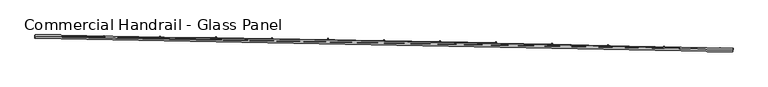
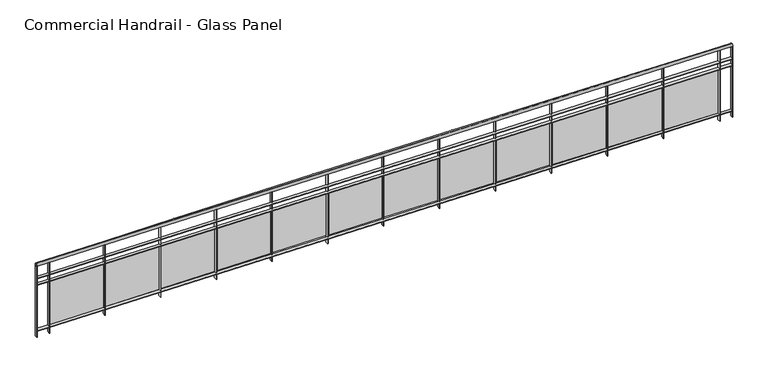
"""IFC4 building model written with IfcOpenShell, lengths in millimetres: railing geometry, Commercial Handrail - Glass Panel."""

from ifc_helpers import new_model, si_unit, point, frame, origin, place, context, project, spatial, polyline, circle_curve, ellipse_curve, trimmed, outline, extrude, source, transform, mapped, element, save
from ifc_brep_helpers import plane_surface, cylinder_surface, revolved_surface, advanced_brep


def commercial_handrail_glass_panel_ef28aba6(model_context):
    return source(origin(), model_context, "Body", "SolidModel", [
        advanced_brep(
        [(115522.8517456, -6417.9556233, 16282.5), (105560.2865037, -6227.9309844, 16282.5), (105560.2865037, -6227.9309844, 16317.5), (115522.8517456, -6417.9556233, 16317.5)],
        [
            (0, 1, circle_curve(frame((103082.6311781, -397378.3155465, 16282.5), z_axis=(0.0, 0.0, 1.0), x_axis=(0.006334151056266869, 0.9999799390639776, 0.0)), 391158.2315624)),
            (1, 2, ellipse_curve(frame((105560.2865037, -6227.9309844, 16300.0), z_axis=(0.9999799390639776, -0.0063341510562733554, 0.0), x_axis=(-0.0063341510562733554, -0.9999799390639776, 0.0)), 25.0, 17.5)),
            (2, 3, circle_curve(frame((103082.6311781, -397378.3155465, 16317.5), z_axis=(0.0, 0.0, -1.0), x_axis=(0.006334151056266869, 0.9999799390639776, 0.0)), 391158.2315624)),
            (3, 0, ellipse_curve(frame((115522.8517456, -6417.9556233, 16300.0), z_axis=(-0.9994941391404732, 0.031803550491167454, 0.0), x_axis=(-0.031803550491167454, -0.9994941391404732, 0.0)), 25.0, 17.5)),
            (2, 1, ellipse_curve(frame((105560.2865037, -6227.9309844, 16300.0), z_axis=(0.9999799390639776, -0.0063341510562733554, 0.0), x_axis=(-0.0063341510562733554, -0.9999799390639776, 0.0)), 25.0, 17.5)),
            (0, 3, ellipse_curve(frame((115522.8517456, -6417.9556233, 16300.0), z_axis=(-0.9994941391404732, 0.031803550491167454, 0.0), x_axis=(-0.031803550491167454, -0.9994941391404732, 0.0)), 25.0, 17.5)),
        ],
        [
            revolved_surface(trimmed(ellipse_curve(frame((105560.2865037, -6227.9309844, 16300.0), z_axis=(-0.9999799390639776, 0.006334151056266869, 0.0), x_axis=(0.0, 0.0, -1.0)), 17.5, 25.0), [point((105560.2865037, -6227.9309844, 16317.5))], [point((105560.2865037, -6227.9309844, 16282.5))], True, "CARTESIAN"), (103082.6311781, -397378.3155465, 16300.0), (0.0, 0.0, -1.0)),
            revolved_surface(trimmed(ellipse_curve(frame((105560.2865037, -6227.9309844, 16300.0), z_axis=(-0.9999799390639776, 0.006334151056266869, 0.0), x_axis=(0.0, 0.0, -1.0)), 17.5, 25.0), [point((105560.2865037, -6227.9309844, 16282.5))], [point((105560.2865037, -6227.9309844, 16317.5))], True, "CARTESIAN"), (103082.6311781, -397378.3155465, 16300.0), (0.0, 0.0, -1.0)),
            plane_surface(frame((105560.2865037, -6227.9309844, 16300.0), z_axis=(-0.9999799390639776, 0.006334151056266869, 0.0), x_axis=(0.006334151056266869, 0.9999799390639776, 0.0))),
            plane_surface(frame((115522.8517456, -6417.9556233, 16300.0), z_axis=(0.9994941391404732, -0.031803550491167405, 0.0), x_axis=(0.031803550491167405, 0.9994941391404732, 0.0))),
        ],
        [
            (0, [[1, 2, 3, 4]]),
            (1, [[-3, 5, -1, 6]]),
            (2, [[-2, -5]]),
            (3, [[-6, -4]]),
        ],
    ),
        advanced_brep(
        [(115523.5673255, -6395.4670052, 16100.0), (105560.4290221, -6205.4314357, 16100.0), (105560.1439853, -6250.430533, 16100.0), (115522.1361657, -6440.4442415, 16100.0), (115523.5673255, -6395.4670052, 16094.0), (105560.4290221, -6205.4314357, 16094.0), (115522.1361657, -6440.4442415, 16094.0), (105560.1439853, -6250.430533, 16094.0)],
        [
            (0, 1, circle_curve(frame((103082.6311781, -397378.3155465, 16100.0), z_axis=(0.0, 0.0, 1.0), x_axis=(0.006334151056266869, 0.9999799390639776, 0.0)), 391180.7315624)),
            (1, 2),
            (2, 3, circle_curve(frame((103082.6311781, -397378.3155465, 16100.0), z_axis=(0.0, 0.0, -1.0), x_axis=(0.006334151056266869, 0.9999799390639776, 0.0)), 391135.7315624)),
            (3, 0),
            (4, 5, circle_curve(frame((103082.6311781, -397378.3155465, 16094.0), z_axis=(0.0, 0.0, 1.0), x_axis=(0.006334151056266869, 0.9999799390639776, 0.0)), 391180.7315624)),
            (5, 1),
            (0, 4),
            (6, 7, circle_curve(frame((103082.6311781, -397378.3155465, 16094.0), z_axis=(0.0, 0.0, 1.0), x_axis=(0.006334151056266869, 0.9999799390639776, 0.0)), 391135.7315624)),
            (7, 5),
            (4, 6),
            (2, 7),
            (6, 3),
        ],
        [
            plane_surface(frame((103082.6311781, -397378.3155465, 16100.0), z_axis=(0.0, 0.0, 1.0), x_axis=(0.006334151056266869, 0.9999799390639776, 0.0))),
            cylinder_surface(frame((103082.6311781, -397378.3155465, 16100.0), z_axis=(0.0, 0.0, -1.0), x_axis=(0.006334151056266869, 0.9999799390639776, 0.0)), 391180.7315624),
            plane_surface(frame((103082.6311781, -397378.3155465, 16094.0), z_axis=(0.0, 0.0, -1.0), x_axis=(0.006334151056266869, 0.9999799390639776, 0.0))),
            revolved_surface(polyline([(105560.1439853197, -6250.43053298688, 16094.0), (105560.1439853197, -6250.43053298688, 16100.0)]), (103082.6311781, -397378.3155465, 16100.0), (0.0, 0.0, -1.0)),
            plane_surface(frame((105560.2865037, -6227.9309844, 16100.0), z_axis=(-0.9999799390639776, 0.006334151056266869, 0.0), x_axis=(0.006334151056266869, 0.9999799390639776, 0.0))),
            plane_surface(frame((115522.8517456, -6417.9556233, 16100.0), z_axis=(0.9994941391404732, -0.031803550491167405, 0.0), x_axis=(0.031803550491167405, 0.9994941391404732, 0.0))),
        ],
        [
            (0, [[1, 2, 3, 4]]),
            (1, [[5, 6, -1, 7]]),
            (2, [[8, 9, -5, 10]]),
            (3, [[-3, 11, -8, 12]]),
            (4, [[-2, -6, -9, -11]]),
            (5, [[-12, -10, -7, -4]]),
        ],
    ),
        advanced_brep(
        [(115523.5673255, -6395.4670052, 16000.0), (105560.4290221, -6205.4314357, 16000.0), (105560.1439853, -6250.430533, 16000.0), (115522.1361657, -6440.4442415, 16000.0), (115523.5673255, -6395.4670052, 15994.0), (105560.4290221, -6205.4314357, 15994.0), (115522.1361657, -6440.4442415, 15994.0), (105560.1439853, -6250.430533, 15994.0)],
        [
            (0, 1, circle_curve(frame((103082.6311781, -397378.3155465, 16000.0), z_axis=(0.0, 0.0, 1.0), x_axis=(0.006334151056266869, 0.9999799390639776, 0.0)), 391180.7315624)),
            (1, 2),
            (2, 3, circle_curve(frame((103082.6311781, -397378.3155465, 16000.0), z_axis=(0.0, 0.0, -1.0), x_axis=(0.006334151056266869, 0.9999799390639776, 0.0)), 391135.7315624)),
            (3, 0),
            (4, 5, circle_curve(frame((103082.6311781, -397378.3155465, 15994.0), z_axis=(0.0, 0.0, 1.0), x_axis=(0.006334151056266869, 0.9999799390639776, 0.0)), 391180.7315624)),
            (5, 1),
            (0, 4),
            (6, 7, circle_curve(frame((103082.6311781, -397378.3155465, 15994.0), z_axis=(0.0, 0.0, 1.0), x_axis=(0.006334151056266869, 0.9999799390639776, 0.0)), 391135.7315624)),
            (7, 5),
            (4, 6),
            (2, 7),
            (6, 3),
        ],
        [
            plane_surface(frame((103082.6311781, -397378.3155465, 16000.0), z_axis=(0.0, 0.0, 1.0), x_axis=(0.006334151056266869, 0.9999799390639776, 0.0))),
            cylinder_surface(frame((103082.6311781, -397378.3155465, 16000.0), z_axis=(0.0, 0.0, -1.0), x_axis=(0.006334151056266869, 0.9999799390639776, 0.0)), 391180.7315624),
            plane_surface(frame((103082.6311781, -397378.3155465, 15994.0), z_axis=(0.0, 0.0, -1.0), x_axis=(0.006334151056266869, 0.9999799390639776, 0.0))),
            revolved_surface(polyline([(105560.1439853197, -6250.43053298688, 15994.0), (105560.1439853197, -6250.43053298688, 16000.0)]), (103082.6311781, -397378.3155465, 16000.0), (0.0, 0.0, -1.0)),
            plane_surface(frame((105560.2865037, -6227.9309844, 16000.0), z_axis=(-0.9999799390639776, 0.006334151056266869, 0.0), x_axis=(0.006334151056266869, 0.9999799390639776, 0.0))),
            plane_surface(frame((115522.8517456, -6417.9556233, 16000.0), z_axis=(0.9994941391404732, -0.031803550491167405, 0.0), x_axis=(0.031803550491167405, 0.9994941391404732, 0.0))),
        ],
        [
            (0, [[1, 2, 3, 4]]),
            (1, [[5, 6, -1, 7]]),
            (2, [[8, 9, -5, 10]]),
            (3, [[-3, 11, -8, 12]]),
            (4, [[-2, -6, -9, -11]]),
            (5, [[-12, -10, -7, -4]]),
        ],
    ),
        advanced_brep(
        [(115523.5673255, -6395.4670052, 15300.0), (105560.4290221, -6205.4314357, 15300.0), (105560.1439853, -6250.430533, 15300.0), (115522.1361657, -6440.4442415, 15300.0), (115523.5673255, -6395.4670052, 15294.0), (105560.4290221, -6205.4314357, 15294.0), (115522.1361657, -6440.4442415, 15294.0), (105560.1439853, -6250.430533, 15294.0)],
        [
            (0, 1, circle_curve(frame((103082.6311781, -397378.3155465, 15300.0), z_axis=(0.0, 0.0, 1.0), x_axis=(0.006334151056266869, 0.9999799390639776, 0.0)), 391180.7315624)),
            (1, 2),
            (2, 3, circle_curve(frame((103082.6311781, -397378.3155465, 15300.0), z_axis=(0.0, 0.0, -1.0), x_axis=(0.006334151056266869, 0.9999799390639776, 0.0)), 391135.7315624)),
            (3, 0),
            (4, 5, circle_curve(frame((103082.6311781, -397378.3155465, 15294.0), z_axis=(0.0, 0.0, 1.0), x_axis=(0.006334151056266869, 0.9999799390639776, 0.0)), 391180.7315624)),
            (5, 1),
            (0, 4),
            (6, 7, circle_curve(frame((103082.6311781, -397378.3155465, 15294.0), z_axis=(0.0, 0.0, 1.0), x_axis=(0.006334151056266869, 0.9999799390639776, 0.0)), 391135.7315624)),
            (7, 5),
            (4, 6),
            (2, 7),
            (6, 3),
        ],
        [
            plane_surface(frame((103082.6311781, -397378.3155465, 15300.0), z_axis=(0.0, 0.0, 1.0), x_axis=(0.006334151056266869, 0.9999799390639776, 0.0))),
            cylinder_surface(frame((103082.6311781, -397378.3155465, 15300.0), z_axis=(0.0, 0.0, -1.0), x_axis=(0.006334151056266869, 0.9999799390639776, 0.0)), 391180.7315624),
            plane_surface(frame((103082.6311781, -397378.3155465, 15294.0), z_axis=(0.0, 0.0, -1.0), x_axis=(0.006334151056266869, 0.9999799390639776, 0.0))),
            revolved_surface(polyline([(105560.1439853197, -6250.43053298688, 15294.0), (105560.1439853197, -6250.43053298688, 15300.0)]), (103082.6311781, -397378.3155465, 15300.0), (0.0, 0.0, -1.0)),
            plane_surface(frame((105560.2865037, -6227.9309844, 15300.0), z_axis=(-0.9999799390639776, 0.006334151056266869, 0.0), x_axis=(0.006334151056266869, 0.9999799390639776, 0.0))),
            plane_surface(frame((115522.8517456, -6417.9556233, 15300.0), z_axis=(0.9994941391404732, -0.031803550491167405, 0.0), x_axis=(0.031803550491167405, 0.9994941391404732, 0.0))),
        ],
        [
            (0, [[1, 2, 3, 4]]),
            (1, [[5, 6, -1, 7]]),
            (2, [[8, 9, -5, 10]]),
            (3, [[-3, 11, -8, 12]]),
            (4, [[-2, -6, -9, -11]]),
            (5, [[-12, -10, -7, -4]]),
        ],
    ),
        extrude(outline(polyline([(115336.915621, -6434.5944988), (115338.3258162, -6389.6166003), (115344.3228693, -6389.8046263), (115342.9126741, -6434.7825248), (115336.915621, -6434.5944988)])), frame((0.0, 0.0, 15200.0), z_axis=(0.0, 0.0, 1.0), x_axis=(1.0, 0.0, 0.0)), (0.0, 0.0, 1.0), 1082.1192282),
        extrude(outline(polyline([(114561.1659135, -6382.3517641), (115320.8166008, -6405.3915845), (115320.4528141, -6417.3860691), (114560.8021269, -6394.3462486), (114561.1659135, -6382.3517641)])), frame((0.0, 0.0, 15320.0), z_axis=(0.0, 0.0, 1.0), x_axis=(1.0, 0.0, 0.0)), (0.0, 0.0, 1.0), 660.0),
        extrude(outline(polyline([(114537.329268, -6410.3495883), (114538.6474712, -6365.3688997), (114544.6448963, -6365.5446602), (114543.3266931, -6410.5253487), (114537.329268, -6410.3495883)])), frame((0.0, 0.0, 15200.0), z_axis=(0.0, 0.0, 1.0), x_axis=(1.0, 0.0, 0.0)), (0.0, 0.0, 1.0), 1082.1192282),
        extrude(outline(polyline([(113761.4743357, -6359.6935314), (114521.1705554, -6381.1796609), (114520.8313008, -6393.1748644), (113761.1350811, -6371.6887348), (113761.4743357, -6359.6935314)])), frame((0.0, 0.0, 15320.0), z_axis=(0.0, 0.0, 1.0), x_axis=(1.0, 0.0, 0.0)), (0.0, 0.0, 1.0), 660.0),
        extrude(outline(polyline([(113737.6950014, -6387.7400478), (113738.921207, -6342.7567574), (113744.9189791, -6342.9202515), (113743.6927735, -6387.9035419), (113737.6950014, -6387.7400478)])), frame((0.0, 0.0, 15200.0), z_axis=(0.0, 0.0, 1.0), x_axis=(1.0, 0.0, 0.0)), (0.0, 0.0, 1.0), 1082.1192282),
        extrude(outline(polyline([(112961.7380897, -6338.6708806), (113721.4766641, -6358.6032294), (113721.1619428, -6370.5991017), (112961.4233684, -6350.6667528), (112961.7380897, -6338.6708806)])), frame((0.0, 0.0, 15320.0), z_axis=(0.0, 0.0, 1.0), x_axis=(1.0, 0.0, 0.0)), (0.0, 0.0, 1.0), 660.0),
        extrude(outline(polyline([(112938.0161661, -6366.7659721), (112939.150369, -6321.7802679), (112945.1484629, -6321.9314949), (112944.0142599, -6366.9171991), (112938.0161661, -6366.7659721)])), frame((0.0, 0.0, 15200.0), z_axis=(0.0, 0.0, 1.0), x_axis=(1.0, 0.0, 0.0)), (0.0, 0.0, 1.0), 1082.1192282),
        extrude(outline(polyline([(112161.9605206, -6319.2838998), (112921.7382719, -6337.6623845), (112921.4480853, -6349.6588753), (112161.670334, -6331.2803906), (112161.9605206, -6319.2838998)])), frame((0.0, 0.0, 15320.0), z_axis=(0.0, 0.0, 1.0), x_axis=(1.0, 0.0, 0.0)), (0.0, 0.0, 1.0), 660.0),
        extrude(outline(polyline([(112138.2961068, -6347.4274487), (112139.3383023, -6302.4395189), (112145.3366929, -6302.5784783), (112144.2944975, -6347.5664081), (112138.2961068, -6347.4274487)])), frame((0.0, 0.0, 15200.0), z_axis=(0.0, 0.0, 1.0), x_axis=(1.0, 0.0, 0.0)), (0.0, 0.0, 1.0), 1082.1192282),
        extrude(outline(polyline([(111362.1449738, -6301.5326699), (112121.9587238, -6318.3572136), (112121.6930731, -6330.3542728), (111361.8793231, -6313.5297291), (111362.1449738, -6301.5326699)])), frame((0.0, 0.0, 15320.0), z_axis=(0.0, 0.0, 1.0), x_axis=(1.0, 0.0, 0.0)), (0.0, 0.0, 1.0), 660.0),
        extrude(outline(polyline([(111338.5381689, -6329.7245586), (111339.4883526, -6284.7345914), (111345.4870149, -6284.8612825), (111344.5368312, -6329.8512498), (111338.5381689, -6329.7245586)])), frame((0.0, 0.0, 15200.0), z_axis=(0.0, 0.0, 1.0), x_axis=(1.0, 0.0, 0.0)), (0.0, 0.0, 1.0), 1082.1192282),
        extrude(outline(polyline([(110562.2947948, -6285.4172653), (111322.1413654, -6300.6877976), (111321.9002518, -6312.6853751), (110562.0536812, -6297.4148427), (110562.2947948, -6285.4172653)])), frame((0.0, 0.0, 15320.0), z_axis=(0.0, 0.0, 1.0), x_axis=(1.0, 0.0, 0.0)), (0.0, 0.0, 1.0), 660.0),
        extrude(outline(polyline([(110538.7456975, -6313.6573759), (110539.6038654, -6268.6655594), (110545.6027743, -6268.7799818), (110544.7446064, -6313.7717982), (110538.7456975, -6313.6573759)])), frame((0.0, 0.0, 15200.0), z_axis=(0.0, 0.0, 1.0), x_axis=(1.0, 0.0, 0.0)), (0.0, 0.0, 1.0), 1082.1192282),
        extrude(outline(polyline([(109762.4133294, -6270.9377534), (110522.2895422, -6284.6542105), (110522.0729666, -6296.6522559), (109762.1967537, -6282.9357988), (109762.4133294, -6270.9377534)])), frame((0.0, 0.0, 15320.0), z_axis=(0.0, 0.0, 1.0), x_axis=(1.0, 0.0, 0.0)), (0.0, 0.0, 1.0), 660.0),
        extrude(outline(polyline([(109738.9220382, -6299.2259676), (109739.6881867, -6254.2324901), (109745.6873171, -6254.3346433), (109744.9211685, -6299.3281208), (109738.9220382, -6299.2259676)])), frame((0.0, 0.0, 15200.0), z_axis=(0.0, 0.0, 1.0), x_axis=(1.0, 0.0, 0.0)), (0.0, 0.0, 1.0), 1082.1192282),
        extrude(outline(polyline([(108962.5039232, -6258.0941947), (109722.4065998, -6270.2565191), (109722.2145631, -6282.2549825), (108962.3118865, -6270.092658), (108962.5039232, -6258.0941947)])), frame((0.0, 0.0, 15320.0), z_axis=(0.0, 0.0, 1.0), x_axis=(1.0, 0.0, 0.0)), (0.0, 0.0, 1.0), 660.0),
        extrude(outline(polyline([(108939.0705364, -6286.4303943), (108939.7446624, -6241.435444), (108945.7439891, -6241.5253275), (108945.0698631, -6286.5202778), (108939.0705364, -6286.4303943)])), frame((0.0, 0.0, 15200.0), z_axis=(0.0, 0.0, 1.0), x_axis=(1.0, 0.0, 0.0)), (0.0, 0.0, 1.0), 1082.1192282),
        extrude(outline(polyline([(108162.5699223, -6246.8866429), (108922.495884, -6257.4947839), (108922.3283871, -6269.4936149), (108162.4024253, -6258.8854739), (108162.5699223, -6246.8866429)])), frame((0.0, 0.0, 15320.0), z_axis=(0.0, 0.0, 1.0), x_axis=(1.0, 0.0, 0.0)), (0.0, 0.0, 1.0), 660.0),
        extrude(outline(polyline([(108139.1945379, -6275.2707094), (108139.7766385, -6230.2744745), (108145.7761365, -6230.3520879), (108145.1940359, -6275.3483228), (108139.1945379, -6275.2707094)])), frame((0.0, 0.0, 15200.0), z_axis=(0.0, 0.0, 1.0), x_axis=(1.0, 0.0, 0.0)), (0.0, 0.0, 1.0), 1082.1192282),
        extrude(outline(polyline([(107362.6146726, -6237.315145), (108122.5607409, -6246.3690581), (108122.4177843, -6258.3682066), (107362.4717161, -6249.3142934), (107362.6146726, -6237.315145)])), frame((0.0, 0.0, 15320.0), z_axis=(0.0, 0.0, 1.0), x_axis=(1.0, 0.0, 0.0)), (0.0, 0.0, 1.0), 660.0),
        extrude(outline(polyline([(107339.2973884, -6265.7469596), (107339.7874611, -6220.7496283), (107345.7871053, -6220.8149713), (107345.2970326, -6265.8123027), (107339.2973884, -6265.7469596)])), frame((0.0, 0.0, 15200.0), z_axis=(0.0, 0.0, 1.0), x_axis=(1.0, 0.0, 0.0)), (0.0, 0.0, 1.0), 1082.1192282),
        extrude(outline(polyline([(106562.6415203, -6229.3797409), (107322.6045163, -6236.8793883), (107322.4861008, -6248.878804), (106562.5231048, -6241.3791567), (106562.6415203, -6229.3797409)])), frame((0.0, 0.0, 15320.0), z_axis=(0.0, 0.0, 1.0), x_axis=(1.0, 0.0, 0.0)), (0.0, 0.0, 1.0), 660.0),
        extrude(outline(polyline([(106539.3824338, -6257.8591848), (106539.7804767, -6212.8609452), (106545.7802419, -6212.9140176), (106545.382199, -6257.9122572), (106539.3824338, -6257.8591848)])), frame((0.0, 0.0, 15200.0), z_axis=(0.0, 0.0, 1.0), x_axis=(1.0, 0.0, 0.0)), (0.0, 0.0, 1.0), 1082.1192282),
        extrude(outline(polyline([(105762.6538115, -6223.080464), (106522.6305564, -6229.0258142), (106522.5366825, -6241.025447), (105762.5599376, -6235.0800968), (105762.6538115, -6223.080464)])), frame((0.0, 0.0, 15320.0), z_axis=(0.0, 0.0, 1.0), x_axis=(1.0, 0.0, 0.0)), (0.0, 0.0, 1.0), 660.0),
        extrude(outline(polyline([(105739.45302, -6251.6074179), (105739.7590314, -6206.6084583), (105745.7588926, -6206.6492599), (105745.4528813, -6251.6482194), (105739.45302, -6251.6074179)])), frame((0.0, 0.0, 15200.0), z_axis=(0.0, 0.0, 1.0), x_axis=(1.0, 0.0, 0.0)), (0.0, 0.0, 1.0), 1082.1192282),
        extrude(outline(polyline([(115519.1376833, -6440.3488308), (115520.5688431, -6395.3715946), (115526.5658079, -6395.5624159), (115525.1346482, -6440.5396521), (115519.1376833, -6440.3488308)])), frame((0.0, 0.0, 15200.0), z_axis=(0.0, 0.0, 1.0), x_axis=(1.0, 0.0, 0.0)), (0.0, 0.0, 1.0), 1082.1192282),
        extrude(outline(polyline([(105557.1440455, -6250.4115305), (105557.4290823, -6205.4124333), (105563.4289619, -6205.4504382), (105563.1439251, -6250.4495354), (105557.1440455, -6250.4115305)])), frame((0.0, 0.0, 15200.0), z_axis=(0.0, 0.0, 1.0), x_axis=(1.0, 0.0, 0.0)), (0.0, 0.0, 1.0), 1082.1192282),
    ])


if __name__ == "__main__":
    model = new_model("IFC4")
    model_context = context("Model", 3, world=origin())
    ifc_project = project(units=[si_unit("LENGTHUNIT", "METRE", prefix="MILLI")], contexts=[model_context])
    site = spatial("IfcSite", under=ifc_project)
    building = spatial("IfcBuilding", under=site)
    placement = place(None, origin())
    commercial_handrail_glass_panel_shape = commercial_handrail_glass_panel_ef28aba6(model_context)
    element("IfcRailing", 1, ObjectType="Commercial Handrail - Glass Panel", at=placement, inside=building, context=model_context, shape_type="MappedRepresentation", body=[
        mapped(commercial_handrail_glass_panel_shape, transform((0.0, 0.0, 0.0), x_axis=(1.0, 0.0, 0.0), y_axis=(0.0, 1.0, 0.0), z_axis=(0.0, 0.0, 1.0))),
    ])
    save(model, "model.ifc")
